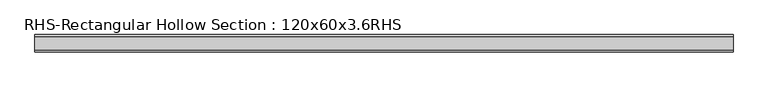
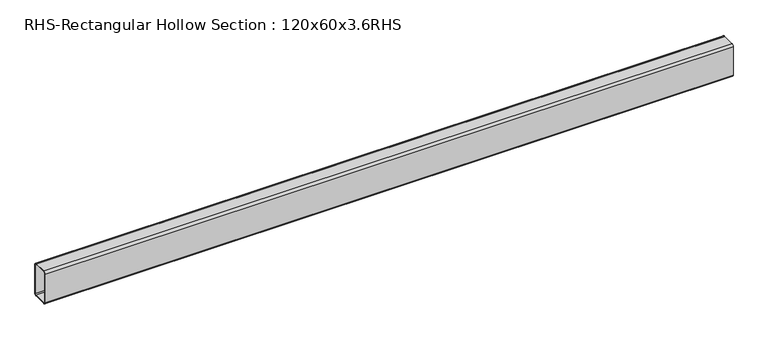
"""IFC4 building model written with IfcOpenShell, lengths in millimetres: beam geometry, RHS-Rectangular Hollow Section : 120x60x3.6RHS."""

from ifc_helpers import new_model, si_unit, point, frame, frame_2d, origin, place, context, project, spatial, polyline, circle_curve, trimmed, segment, composite_curve, outline, extrude, source, transform, mapped, element, save


def rhs_rectangular_hollow_section_120x60x3_6rhs_4198a519(model_context):
    return source(origin(), model_context, "Body", "SweptSolid", [
        extrude(outline(composite_curve([segment(polyline([(30.0, 52.8), (30.0, -52.8)]), True, "CONTINUOUS"), segment(trimmed(circle_curve(frame_2d((22.8, -52.8)), 7.2), [point((30.0, -52.8))], [point((22.8, -60.0))], False, "CARTESIAN"), True, "CONTINUOUS"), segment(polyline([(22.8, -60.0), (-22.8, -60.0)]), True, "CONTINUOUS"), segment(trimmed(circle_curve(frame_2d((-22.8, -52.8)), 7.2), [point((-22.8, -60.0))], [point((-30.0, -52.8))], False, "CARTESIAN"), True, "CONTINUOUS"), segment(polyline([(-30.0, -52.8), (-30.0, 52.8)]), True, "CONTINUOUS"), segment(trimmed(circle_curve(frame_2d((-22.8, 52.8)), 7.2), [point((-30.0, 52.8))], [point((-22.8, 60.0))], False, "CARTESIAN"), True, "CONTINUOUS"), segment(polyline([(-22.8, 60.0), (22.8, 60.0)]), True, "CONTINUOUS"), segment(trimmed(circle_curve(frame_2d((22.8, 52.8)), 7.2), [point((22.8, 60.0))], [point((30.0, 52.8))], False, "CARTESIAN"), True, "CONTINUOUS")], self_intersect=False), holes=[composite_curve([segment(trimmed(circle_curve(frame_2d((-22.8, 52.8)), 3.6), [point((-22.8, 56.4))], [point((-26.4, 52.8))], True, "CARTESIAN"), True, "CONTINUOUS"), segment(polyline([(-26.4, 52.8), (-26.4, -52.8)]), True, "CONTINUOUS"), segment(trimmed(circle_curve(frame_2d((-22.8, -52.8)), 3.6), [point((-26.4, -52.8))], [point((-22.8, -56.4))], True, "CARTESIAN"), True, "CONTINUOUS"), segment(polyline([(-22.8, -56.4), (22.8, -56.4)]), True, "CONTINUOUS"), segment(trimmed(circle_curve(frame_2d((22.8, -52.8)), 3.6), [point((22.8, -56.4))], [point((26.4, -52.8))], True, "CARTESIAN"), True, "CONTINUOUS"), segment(polyline([(26.4, -52.8), (26.4, 52.8)]), True, "CONTINUOUS"), segment(trimmed(circle_curve(frame_2d((22.8, 52.8)), 3.6), [point((26.4, 52.8))], [point((22.8, 56.4))], True, "CARTESIAN"), True, "CONTINUOUS"), segment(polyline([(22.8, 56.4), (-22.8, 56.4)]), True, "CONTINUOUS")], self_intersect=False)]), frame((-911.9440989, 0.0, 0.0), z_axis=(1.0, 0.0, 0.0), x_axis=(0.0, 1.0, 0.0)), (0.0, 0.0, 1.0), 2409.4646096),
    ])


if __name__ == "__main__":
    model = new_model("IFC4")
    model_context = context("Model", 3, world=origin())
    ifc_project = project(units=[si_unit("LENGTHUNIT", "METRE", prefix="MILLI")], contexts=[model_context])
    site = spatial("IfcSite", under=ifc_project)
    building = spatial("IfcBuilding", under=site)
    placement = place(None, origin())
    rhs_rectangular_hollow_section_120x60x3_6rhs_shape = rhs_rectangular_hollow_section_120x60x3_6rhs_4198a519(model_context)
    element("IfcBeam", 1, ObjectType="RHS-Rectangular Hollow Section : 120x60x3.6RHS", at=placement, inside=building, context=model_context, shape_type="MappedRepresentation", body=[
        mapped(rhs_rectangular_hollow_section_120x60x3_6rhs_shape, transform((0.0, 0.0, 0.0), x_axis=(1.0, 0.0, 0.0), y_axis=(0.0, 1.0, 0.0), z_axis=(0.0, 0.0, 1.0))),
    ])
    save(model, "model.ifc")
